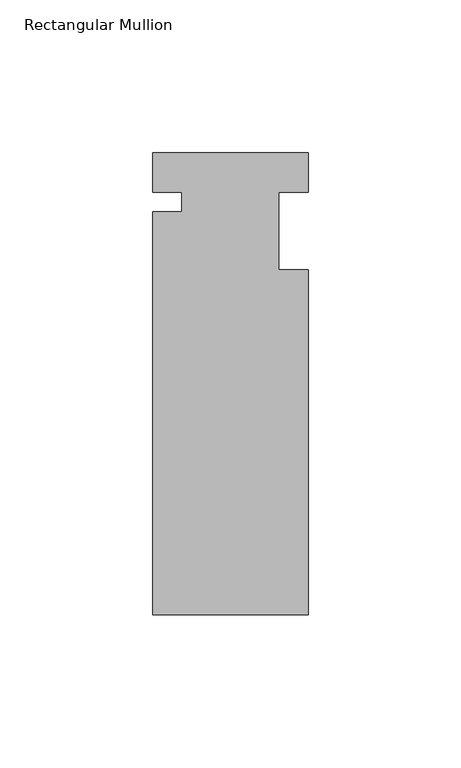
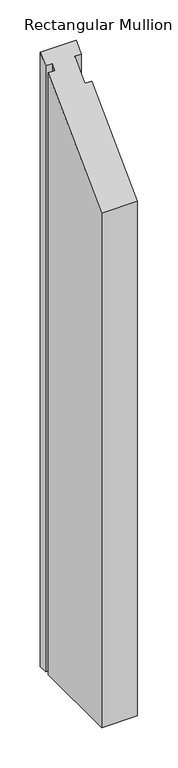
"""IFC4 building model written with IfcOpenShell, lengths in millimetres: member geometry, Rectangular Mullion."""

from ifc_helpers import new_model, si_unit, origin, place, context, project, spatial, faceted_brep, source, transform, mapped, element, save


def rectangular_mullion_cbcb1dc0(model_context):
    return source(origin(), model_context, "Body", "Brep", [
        faceted_brep([(-25.4, 12.88415, -914.4), (25.4, 12.88415, -914.4), (25.4, 0.0, -914.4), (15.875, 0.0, -914.4), (15.875, -25.4, -914.4), (25.4, -25.4, -914.4), (25.4, -138.29665, -914.4), (-25.4, -138.29665, -914.4), (-25.4, -6.35, -914.4), (-15.875, -6.35, -914.4), (-15.875, 0.0, -914.4), (-25.4, 0.0, -914.4), (-25.4, 0.0, 0.0), (-25.4, 12.88415, 12.88415), (-15.875, 0.0, 0.0), (-15.875, -6.35, -6.35), (-25.4, -6.35, -6.35), (-25.4, -138.29665, -138.29665), (25.4, -138.29665, -138.29665), (25.4, -25.4, -25.4), (15.875, -25.4, -25.4), (15.875, 0.0, 0.0), (25.4, 0.0, 0.0), (25.4, 12.88415, 12.88415)], [[[0, 1, 2, 3, 4, 5, 6, 7, 8, 9, 10, 11]], [[12, 13, 0, 11]], [[14, 12, 11, 10]], [[15, 14, 10, 9]], [[16, 15, 9, 8]], [[17, 16, 8, 7]], [[18, 17, 7, 6]], [[19, 18, 6, 5]], [[20, 19, 5, 4]], [[21, 20, 4, 3]], [[22, 21, 3, 2]], [[23, 22, 2, 1]], [[13, 23, 1, 0]], [[13, 12, 14, 15, 16, 17, 18, 19, 20, 21, 22, 23]]]),
    ])


if __name__ == "__main__":
    model = new_model("IFC4")
    model_context = context("Model", 3, world=origin())
    ifc_project = project(units=[si_unit("LENGTHUNIT", "METRE", prefix="MILLI")], contexts=[model_context])
    site = spatial("IfcSite", under=ifc_project)
    building = spatial("IfcBuilding", under=site)
    placement = place(None, origin())
    rectangular_mullion_shape = rectangular_mullion_cbcb1dc0(model_context)
    element("IfcMember", 1, ObjectType="Rectangular Mullion", at=placement, inside=building, context=model_context, shape_type="MappedRepresentation", body=[
        mapped(rectangular_mullion_shape, transform((0.0, 0.0, 0.0), x_axis=(1.0, 0.0, 0.0), y_axis=(0.0, 1.0, 0.0), z_axis=(0.0, 0.0, 1.0))),
    ])
    save(model, "model.ifc")
